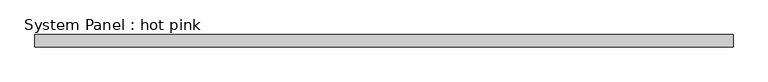
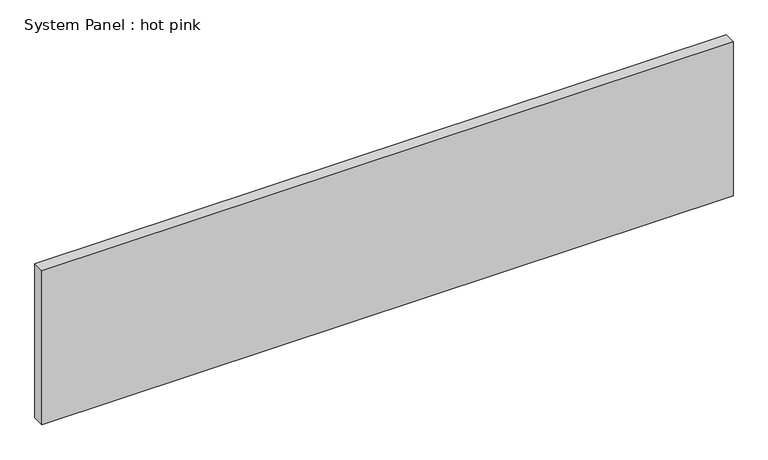
"""IFC4 building model written with IfcOpenShell, lengths in millimetres: plate geometry, System Panel : hot pink."""

from ifc_helpers import new_model, si_unit, origin, origin_with_axes, place, context, project, spatial, polyline, outline, extrude, source, transform, mapped, element, save


def system_panel_hot_pink_b2c5f85b(model_context):
    return source(origin(), model_context, "Body", "SweptSolid", [
        extrude(outline(polyline([(1808.0114903, -19.05), (-1808.0114903, -19.05), (-1808.0114903, 44.45), (1808.0114903, 44.45), (1808.0114903, -19.05)])), origin_with_axes(), (0.0, 0.0, 1.0), 850.9),
    ])


if __name__ == "__main__":
    model = new_model("IFC4")
    model_context = context("Model", 3, world=origin())
    ifc_project = project(units=[si_unit("LENGTHUNIT", "METRE", prefix="MILLI")], contexts=[model_context])
    site = spatial("IfcSite", under=ifc_project)
    building = spatial("IfcBuilding", under=site)
    placement = place(None, origin())
    system_panel_hot_pink_shape = system_panel_hot_pink_b2c5f85b(model_context)
    element("IfcPlate", 1, ObjectType="System Panel : hot pink", at=placement, inside=building, context=model_context, shape_type="MappedRepresentation", body=[
        mapped(system_panel_hot_pink_shape, transform((0.0, 0.0, 0.0), x_axis=(1.0, 0.0, 0.0), y_axis=(0.0, 1.0, 0.0), z_axis=(0.0, 0.0, 1.0))),
    ])
    save(model, "model.ifc")
